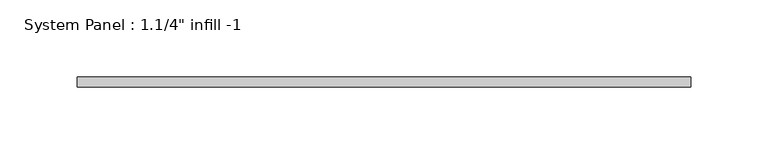
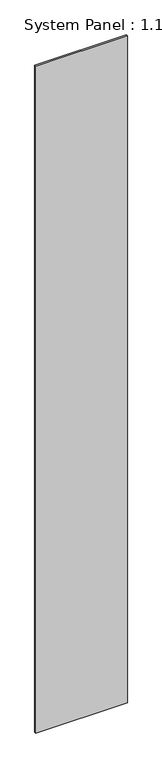
"""IFC4 building model written with IfcOpenShell, lengths in millimetres: plate geometry."""

from ifc_helpers import new_model, si_unit, origin, origin_with_axes, place, context, project, spatial, polyline, outline, extrude, source, transform, mapped, element, save


def plate_b0ff456f(model_context):
    return source(origin(), model_context, "Body", "SweptSolid", [
        extrude(outline(polyline([(198.4375, 0.0), (-198.4375, 0.0), (-198.4375, 6.35), (198.4375, 6.35), (198.4375, 0.0)])), origin_with_axes(), (0.0, 0.0, 1.0), 3048.0),
    ])


if __name__ == "__main__":
    model = new_model("IFC4")
    model_context = context("Model", 3, world=origin())
    ifc_project = project(units=[si_unit("LENGTHUNIT", "METRE", prefix="MILLI")], contexts=[model_context])
    site = spatial("IfcSite", under=ifc_project)
    building = spatial("IfcBuilding", under=site)
    placement = place(None, origin())
    plate_shape = plate_b0ff456f(model_context)
    element("IfcPlate", 1, ObjectType="System Panel : 1.1/4\" infill -1", at=placement, inside=building, context=model_context, shape_type="MappedRepresentation", body=[
        mapped(plate_shape, transform((0.0, 0.0, 0.0), x_axis=(1.0, 0.0, 0.0), y_axis=(0.0, 1.0, 0.0), z_axis=(0.0, 0.0, 1.0))),
    ])
    save(model, "model.ifc")
